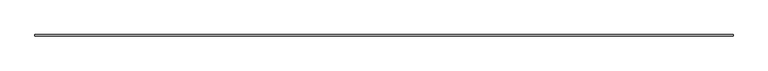
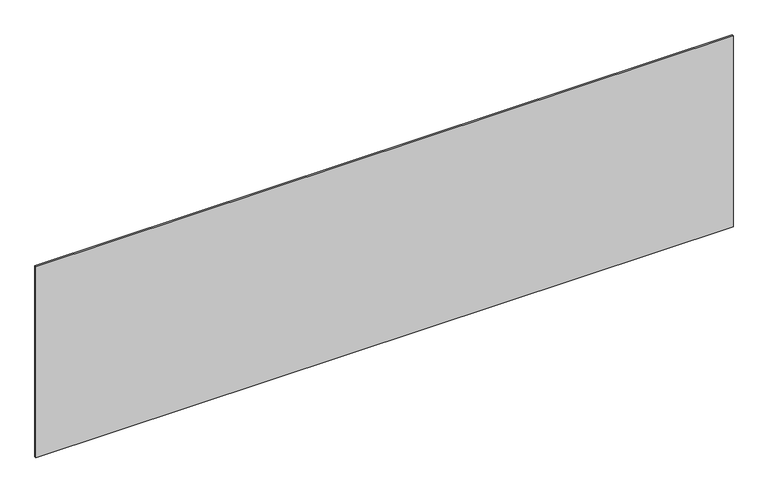
"""IFC4 building model written with IfcOpenShell, lengths in millimetres: plate geometry."""

from ifc_helpers import new_model, si_unit, origin, origin_with_axes, place, context, project, spatial, polyline, outline, extrude, source, transform, mapped, element, save


def plate_1f4b4f2d(model_context):
    return source(origin(), model_context, "Body", "SweptSolid", [
        extrude(outline(polyline([(2206.6666667, -5.0), (-2206.6666667, -5.0), (-2206.6666667, 5.0), (2206.6666667, 5.0), (2206.6666667, -5.0)])), origin_with_axes(), (0.0, 0.0, 1.0), 1279.125426),
    ])


if __name__ == "__main__":
    model = new_model("IFC4")
    model_context = context("Model", 3, world=origin())
    ifc_project = project(units=[si_unit("LENGTHUNIT", "METRE", prefix="MILLI")], contexts=[model_context])
    site = spatial("IfcSite", under=ifc_project)
    building = spatial("IfcBuilding", under=site)
    placement = place(None, origin())
    plate_shape = plate_1f4b4f2d(model_context)
    element("IfcPlate", 1, at=placement, inside=building, context=model_context, shape_type="MappedRepresentation", body=[
        mapped(plate_shape, transform((0.0, 0.0, 0.0), x_axis=(1.0, 0.0, 0.0), y_axis=(0.0, 1.0, 0.0), z_axis=(0.0, 0.0, 1.0))),
    ])
    save(model, "model.ifc")
